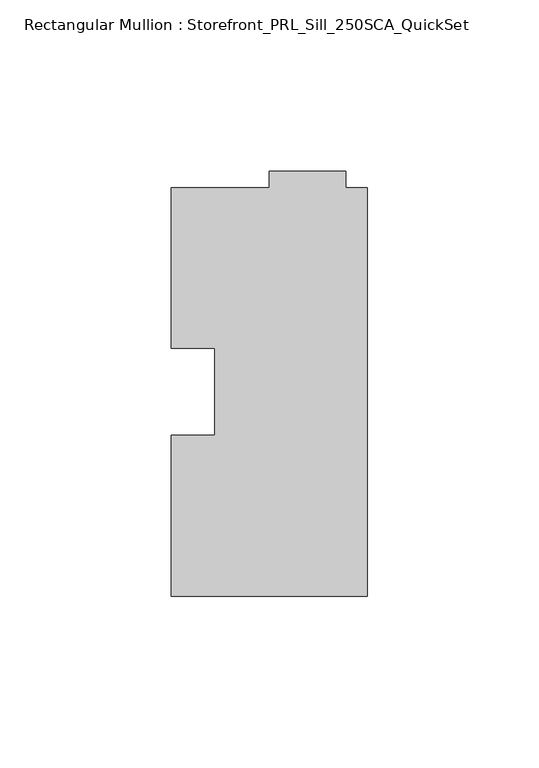
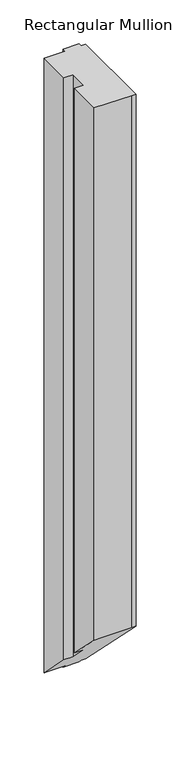
"""IFC4 building model written with IfcOpenShell, lengths in millimetres: member geometry, Rectangular Mullion : Storefront_PRL_Sill_250SCA_QuickSet."""

from ifc_helpers import new_model, si_unit, origin, place, context, project, spatial, faceted_brep, source, transform, mapped, element, save


def rectangular_mullion_storefront_prl_sill_250sca_quickset_e19c6e37(model_context):
    return source(origin(), model_context, "Body", "Brep", [
        faceted_brep([(-44.45, -12.7, 0.0), (-57.15, -12.7, 0.0), (-57.15, -59.53125, 0.0), (-6.35, -59.53125, 0.0), (0.0, -59.53125, 0.0), (0.0, 59.53125, 0.0), (-6.35, 59.53125, 0.0), (-6.35, 64.29375, 0.0), (-28.575, 64.29375, 0.0), (-28.575, 59.53125, 0.0), (-57.15, 59.53125, 0.0), (-57.15, 12.7, 0.0), (-44.45, 12.7, 0.0), (-44.45, -12.7, -817.0333333), (-57.15, -12.7, -817.0333333), (-57.15, -59.53125, -770.2020833), (-6.35, -59.53125, -770.2020833), (0.0, -59.53125, -770.2020833), (0.0, 59.53125, -889.2645833), (-6.35, 59.53125, -889.2645833), (-6.35, 64.29375, -894.0270833), (-28.575, 64.29375, -894.0270833), (-28.575, 59.53125, -889.2645833), (-57.15, 59.53125, -889.2645833), (-57.15, 12.7, -842.4333333), (-44.45, 12.7, -842.4333333)], [[[0, 1, 2, 3, 4, 5, 6, 7, 8, 9, 10, 11, 12]], [[1, 0, 13, 14]], [[2, 1, 14, 15]], [[3, 2, 15, 16]], [[4, 3, 16, 17]], [[5, 4, 17, 18]], [[6, 5, 18, 19]], [[7, 6, 19, 20]], [[8, 7, 20, 21]], [[9, 8, 21, 22]], [[10, 9, 22, 23]], [[11, 10, 23, 24]], [[12, 11, 24, 25]], [[0, 12, 25, 13]], [[13, 25, 24, 23, 22, 21, 20, 19, 18, 17, 16, 15, 14]]]),
    ])


if __name__ == "__main__":
    model = new_model("IFC4")
    model_context = context("Model", 3, world=origin())
    ifc_project = project(units=[si_unit("LENGTHUNIT", "METRE", prefix="MILLI")], contexts=[model_context])
    site = spatial("IfcSite", under=ifc_project)
    building = spatial("IfcBuilding", under=site)
    placement = place(None, origin())
    rectangular_mullion_storefront_prl_sill_250sca_quickset_shape = rectangular_mullion_storefront_prl_sill_250sca_quickset_e19c6e37(model_context)
    element("IfcMember", 1, ObjectType="Rectangular Mullion : Storefront_PRL_Sill_250SCA_QuickSet", at=placement, inside=building, context=model_context, shape_type="MappedRepresentation", body=[
        mapped(rectangular_mullion_storefront_prl_sill_250sca_quickset_shape, transform((0.0, 0.0, 0.0), x_axis=(1.0, 0.0, 0.0), y_axis=(0.0, 1.0, 0.0), z_axis=(0.0, 0.0, 1.0))),
    ])
    save(model, "model.ifc")
